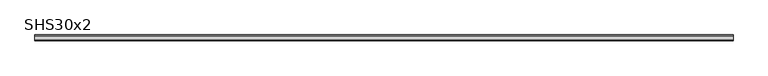
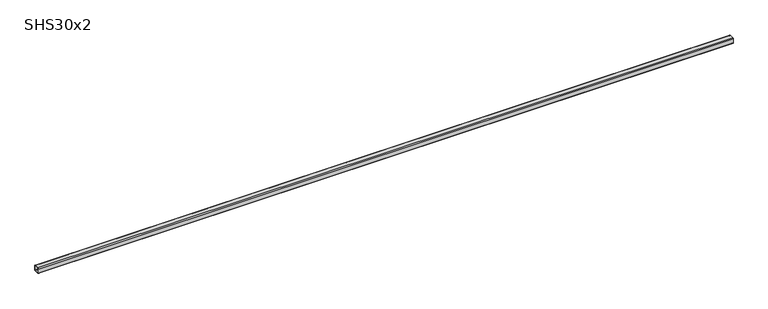
"""IFC4 building model written with IfcOpenShell, lengths in millimetres: beam geometry, SHS30x2."""

import ifcopenshell
import ifcopenshell.guid

model = None  # the IFC model being written
_history = None  # IfcOwnerHistory: only IFC2X3 demands one
_inside = {}  # id of a spatial element -> (the spatial element, [elements in it])
_under = {}  # id of a project, library or spatial element -> (it, [spatial elements below it])
_declared = {}  # id of a project -> (the project, [libraries it declares])
_typed = {}  # id of a type object -> (the type object, [elements of that type])
_made_of = {}  # id of a material, layer set ... -> (it, [elements and type objects made of it])


def new_model(schema):
    """Start an empty IFC model of exactly this schema.

    Asked for "IFC4X3", IfcOpenShell would pick the latest addendum, in which some entities
    have other attributes; the version numbers below select the first issue.
    IFC2X3 requires an IfcOwnerHistory on every rooted entity: one is made here for all.
    """
    global model, _history
    if schema == "IFC4X3":
        model = ifcopenshell.file(schema_version=(4, 3, 0, 0))
    else:
        model = ifcopenshell.file(schema=schema)
    _inside.clear()
    _under.clear()
    _declared.clear()
    _typed.clear()
    _made_of.clear()
    _history = None
    if model.schema == "IFC2X3":
        org = make("IfcOrganization", Name="unknown")
        user = make(
            "IfcPersonAndOrganization",
            ThePerson=make("IfcPerson", FamilyName="unknown"),
            TheOrganization=org,
        )
        app = make(
            "IfcApplication",
            ApplicationDeveloper=org,
            Version="unknown",
            ApplicationFullName="unknown",
            ApplicationIdentifier="unknown",
        )
        _history = make(
            "IfcOwnerHistory",
            OwningUser=user,
            OwningApplication=app,
            ChangeAction="ADDED",
            CreationDate=0,
        )
    return model


def make(cls, **values):
    """One entity of the class cls with the attributes given. An attribute that is None is left unset."""
    return model.create_entity(
        cls, **{name: value for name, value in values.items() if value is not None}
    )


def rooted(cls, **values):
    """An entity with a GlobalId (a new one), such as an element, a storey or a relation."""
    return make(cls, GlobalId=ifcopenshell.guid.new(), OwnerHistory=_history, **values)


def si_unit(unit_type, name, prefix=None):
    """IfcSIUnit, for example si_unit("LENGTHUNIT", "METRE", prefix="MILLI")."""
    return make("IfcSIUnit", UnitType=unit_type, Prefix=prefix, Name=name)


def assignment(units):
    """IfcUnitAssignment: the units of a project."""
    return None if units is None else make("IfcUnitAssignment", Units=units)


def point(xyz):
    """IfcCartesianPoint."""
    return None if xyz is None else make("IfcCartesianPoint", Coordinates=xyz)


def direction(xyz):
    """IfcDirection."""
    return None if xyz is None else make("IfcDirection", DirectionRatios=xyz)


def frame(location, z_axis=None, x_axis=None):
    """IfcAxis2Placement3D, a coordinate frame: its origin and axes. An axis left out is left unset."""
    return make(
        "IfcAxis2Placement3D",
        Location=point(location),
        Axis=direction(z_axis),
        RefDirection=direction(x_axis),
    )


def frame_2d(location, x_axis=None):
    """IfcAxis2Placement2D, a coordinate frame in the plane: its origin and x axis."""
    return make(
        "IfcAxis2Placement2D", Location=point(location), RefDirection=direction(x_axis)
    )


def origin():
    """The frame at (0, 0, 0) with its axes left unset."""
    return frame((0.0, 0.0, 0.0))


def place(relative_to, where):
    """IfcLocalPlacement: puts the frame where relative to a parent placement (None: the world)."""
    return make(
        "IfcLocalPlacement", PlacementRelTo=relative_to, RelativePlacement=where
    )


def context(
    kind, dimensions, precision=None, world=None, true_north=None, identifier=None
):
    """IfcGeometricRepresentationContext, for example the 3D "Model" context."""
    return make(
        "IfcGeometricRepresentationContext",
        ContextIdentifier=identifier,
        ContextType=kind,
        CoordinateSpaceDimension=dimensions,
        Precision=precision,
        WorldCoordinateSystem=world,
        TrueNorth=true_north,
    )


def project(units=None, contexts=None):
    """IfcProject with its units and contexts."""
    return rooted(
        "IfcProject",
        Name="project",
        RepresentationContexts=contexts,
        UnitsInContext=assignment(units),
    )


def spatial(cls, under=None, at=None, **own):
    """A site, building, storey or space (cls), placed at a placement, below another one or the project."""
    s = rooted(cls, ObjectPlacement=at, **own)
    if under is not None:
        _under.setdefault(under.id(), (under, []))[1].append(s)
    return s


def polyline(points):
    """IfcPolyline through the points."""
    return make("IfcPolyline", Points=[point(p) for p in points])


def circle_curve(where, radius):
    """IfcCircle in the frame where."""
    return make("IfcCircle", Position=where, Radius=radius)


def trimmed(basis, trim1, trim2, sense, master):
    """IfcTrimmedCurve: the piece of a basis curve between two trims."""
    return make(
        "IfcTrimmedCurve",
        BasisCurve=basis,
        Trim1=trim1,
        Trim2=trim2,
        SenseAgreement=sense,
        MasterRepresentation=master,
    )


def segment(curve, same_sense, transition):
    """IfcCompositeCurveSegment."""
    return make(
        "IfcCompositeCurveSegment",
        Transition=transition,
        SameSense=same_sense,
        ParentCurve=curve,
    )


def composite_curve(segments, self_intersect=None):
    """IfcCompositeCurve: segments joined end to end."""
    return make("IfcCompositeCurve", Segments=segments, SelfIntersect=self_intersect)


def outline(outer, holes=None, kind="AREA"):
    """IfcArbitraryClosedProfileDef: a profile drawn as a closed curve; with holes, ...WithVoids."""
    if holes is None:
        return make("IfcArbitraryClosedProfileDef", ProfileType=kind, OuterCurve=outer)
    return make(
        "IfcArbitraryProfileDefWithVoids",
        ProfileType=kind,
        OuterCurve=outer,
        InnerCurves=holes,
    )


def extrude(swept, where, along, depth):
    """IfcExtrudedAreaSolid: the profile swept, set in the frame where, extruded along a direction by depth."""
    return make(
        "IfcExtrudedAreaSolid",
        SweptArea=swept,
        Position=where,
        ExtrudedDirection=direction(along),
        Depth=depth,
    )


def shape(context_of_items, identifier, shape_type, items):
    """IfcShapeRepresentation: the items that make up one representation, for example the "Body"."""
    return make(
        "IfcShapeRepresentation",
        ContextOfItems=context_of_items,
        RepresentationIdentifier=identifier,
        RepresentationType=shape_type,
        Items=items,
    )


def source(mapping_origin, context_of_items, identifier, shape_type, items):
    """IfcRepresentationMap: a shape defined once, which mapped items show again and again."""
    return make(
        "IfcRepresentationMap",
        MappingOrigin=mapping_origin,
        MappedRepresentation=shape(context_of_items, identifier, shape_type, items),
    )


def transform(
    local_origin,
    x_axis=None,
    y_axis=None,
    z_axis=None,
    scale=None,
    scale2=None,
    scale3=None,
    uniform=True,
):
    """IfcCartesianTransformationOperator3D, or its non-uniform kind. x_axis, y_axis, z_axis: its Axis1, 2, 3."""
    if uniform:
        return make(
            "IfcCartesianTransformationOperator3D",
            Axis1=direction(x_axis),
            Axis2=direction(y_axis),
            LocalOrigin=point(local_origin),
            Scale=scale,
            Axis3=direction(z_axis),
        )
    return make(
        "IfcCartesianTransformationOperator3DnonUniform",
        Axis1=direction(x_axis),
        Axis2=direction(y_axis),
        LocalOrigin=point(local_origin),
        Scale=scale,
        Axis3=direction(z_axis),
        Scale2=scale2,
        Scale3=scale3,
    )


def mapped(mapping_source, mapping_target):
    """IfcMappedItem: shows the shape of a source again, moved by a transform."""
    return make(
        "IfcMappedItem", MappingSource=mapping_source, MappingTarget=mapping_target
    )


def made_of(thing, what):
    """Note that an element or type object is made of a material, layer set ...; save() writes the relation."""
    if what is not None:
        _made_of.setdefault(what.id(), (what, []))[1].append(thing)
    return thing


def element(
    cls,
    number,
    at=None,
    inside=None,
    cuts=None,
    type_object=None,
    material=None,
    context=None,
    identifier="Body",
    shape_type=None,
    held_by="IfcProductDefinitionShape",
    body=None,
    shapes=None,
    **own,
):
    """One element of the class cls, such as IfcWall. Its Tag is "e" and its number.

    at: its placement. inside: the storey or other place that contains it. cuts: it is an
    opening in that element (IfcRelVoidsElement). A single representation is given by context,
    identifier, shape_type and body (its items); several are given by shapes. held_by: the class
    of the entity that holds the representations. save() writes the other relations.
    """
    e = rooted(cls, Tag="e%d" % number, ObjectPlacement=at, **own)
    if body is not None:
        shapes = [shape(context, identifier, shape_type, body)]
    if shapes is not None:
        e.Representation = make(held_by, Representations=shapes)
    if inside is not None:
        _inside.setdefault(inside.id(), (inside, []))[1].append(e)
    if cuts is not None:
        rooted(
            "IfcRelVoidsElement", RelatingBuildingElement=cuts, RelatedOpeningElement=e
        )
    if type_object is not None:
        _typed.setdefault(type_object.id(), (type_object, []))[1].append(e)
    return made_of(e, material)


def aggregate(whole, parts):
    """IfcRelAggregates: a whole, such as a stair, and the parts it consists of."""
    return rooted("IfcRelAggregates", RelatingObject=whole, RelatedObjects=parts)


def save(model, path):
    """Write the relations noted so far, then the file.

    IfcRelAggregates (storeys below a building ...), IfcRelContainedInSpatialStructure (elements
    in a storey), IfcRelDefinesByType, IfcRelAssociatesMaterial and IfcRelDeclares: one each for
    every whole, place, type object, material and project.
    """
    for whole, parts in _under.values():
        aggregate(whole, parts)
    for where, things in _inside.values():
        rooted(
            "IfcRelContainedInSpatialStructure",
            RelatedElements=things,
            RelatingStructure=where,
        )
    for kind, things in _typed.values():
        rooted("IfcRelDefinesByType", RelatedObjects=things, RelatingType=kind)
    for what, things in _made_of.values():
        rooted("IfcRelAssociatesMaterial", RelatedObjects=things, RelatingMaterial=what)
    for by, libraries in _declared.values():
        rooted("IfcRelDeclares", RelatingContext=by, RelatedDefinitions=libraries)
    model.write(path)


def shs30x2_77b708df(model_context):
    return source(origin(), model_context, "Body", "SweptSolid", [
        extrude(outline(composite_curve([segment(polyline([(15.0, 11.0), (15.0, -11.0)]), True, "CONTINUOUS"), segment(trimmed(circle_curve(frame_2d((11.0, -11.0)), 4.0), [point((15.0, -11.0))], [point((11.0, -15.0))], False, "CARTESIAN"), True, "CONTINUOUS"), segment(polyline([(11.0, -15.0), (-11.0, -15.0)]), True, "CONTINUOUS"), segment(trimmed(circle_curve(frame_2d((-11.0, -11.0)), 4.0), [point((-11.0, -15.0))], [point((-15.0, -11.0))], False, "CARTESIAN"), True, "CONTINUOUS"), segment(polyline([(-15.0, -11.0), (-15.0, 11.0)]), True, "CONTINUOUS"), segment(trimmed(circle_curve(frame_2d((-11.0, 11.0)), 4.0), [point((-15.0, 11.0))], [point((-11.0, 15.0))], False, "CARTESIAN"), True, "CONTINUOUS"), segment(polyline([(-11.0, 15.0), (11.0, 15.0)]), True, "CONTINUOUS"), segment(trimmed(circle_curve(frame_2d((11.0, 11.0)), 4.0), [point((11.0, 15.0))], [point((15.0, 11.0))], False, "CARTESIAN"), True, "CONTINUOUS")], self_intersect=False), holes=[composite_curve([segment(trimmed(circle_curve(frame_2d((-11.0, 11.0)), 2.0), [point((-11.0, 13.0))], [point((-13.0, 11.0))], True, "CARTESIAN"), True, "CONTINUOUS"), segment(polyline([(-13.0, 11.0), (-13.0, -11.0)]), True, "CONTINUOUS"), segment(trimmed(circle_curve(frame_2d((-11.0, -11.0)), 2.0), [point((-13.0, -11.0))], [point((-11.0, -13.0))], True, "CARTESIAN"), True, "CONTINUOUS"), segment(polyline([(-11.0, -13.0), (11.0, -13.0)]), True, "CONTINUOUS"), segment(trimmed(circle_curve(frame_2d((11.0, -11.0)), 2.0), [point((11.0, -13.0))], [point((13.0, -11.0))], True, "CARTESIAN"), True, "CONTINUOUS"), segment(polyline([(13.0, -11.0), (13.0, 11.0)]), True, "CONTINUOUS"), segment(trimmed(circle_curve(frame_2d((11.0, 11.0)), 2.0), [point((13.0, 11.0))], [point((11.0, 13.0))], True, "CARTESIAN"), True, "CONTINUOUS"), segment(polyline([(11.0, 13.0), (-11.0, 13.0)]), True, "CONTINUOUS")], self_intersect=False)]), frame((-1781.5, 0.0, 0.0), z_axis=(1.0, 0.0, 0.0), x_axis=(0.0, 1.0, 0.0)), (0.0, 0.0, 1.0), 3609.0),
    ])


if __name__ == "__main__":
    model = new_model("IFC4")
    model_context = context("Model", 3, world=origin())
    ifc_project = project(units=[si_unit("LENGTHUNIT", "METRE", prefix="MILLI")], contexts=[model_context])
    site = spatial("IfcSite", under=ifc_project)
    building = spatial("IfcBuilding", under=site)
    placement = place(None, origin())
    shs30x2_shape = shs30x2_77b708df(model_context)
    element("IfcBeam", 1, ObjectType="SHS30x2", at=placement, inside=building, context=model_context, shape_type="MappedRepresentation", body=[
        mapped(shs30x2_shape, transform((0.0, 0.0, 0.0), x_axis=(1.0, 0.0, 0.0), y_axis=(0.0, 1.0, 0.0), z_axis=(0.0, 0.0, 1.0))),
    ])
    save(model, "model.ifc")
